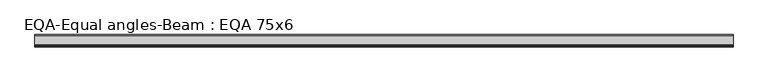
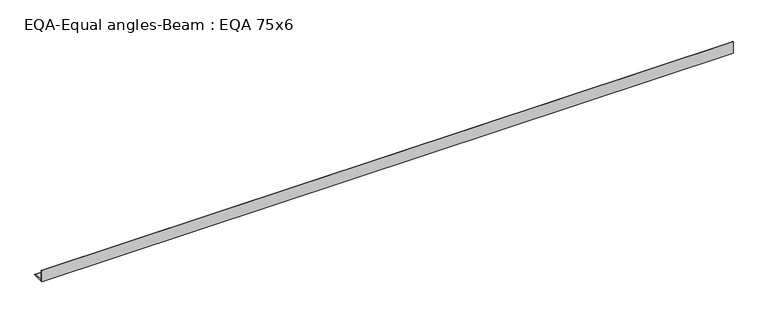
"""IFC4 building model written with IfcOpenShell, lengths in millimetres: beam geometry, EQA-Equal angles-Beam : EQA 75x6."""

from ifc_helpers import new_model, si_unit, point, frame, frame_2d, origin, place, context, project, spatial, polyline, circle_curve, trimmed, segment, composite_curve, outline, extrude, source, transform, mapped, element, save


def eqa_equal_angles_beam_eqa_75x6_300b0169(model_context):
    return source(origin(), model_context, "Body", "SweptSolid", [
        extrude(outline(composite_curve([segment(polyline([(-20.5, -20.5), (-20.5, 54.5), (-19.0, 54.5)]), True, "CONTINUOUS"), segment(trimmed(circle_curve(frame_2d((-19.0, 50.0)), 4.5), [point((-19.0, 54.5))], [point((-14.5, 50.0))], False, "CARTESIAN"), True, "CONTINUOUS"), segment(polyline([(-14.5, 50.0), (-14.5, -5.5)]), True, "CONTINUOUS"), segment(trimmed(circle_curve(frame_2d((-5.5, -5.5)), 9.0), [point((-14.5, -5.5))], [point((-5.5, -14.5))], True, "CARTESIAN"), True, "CONTINUOUS"), segment(polyline([(-5.5, -14.5), (50.0, -14.5)]), True, "CONTINUOUS"), segment(trimmed(circle_curve(frame_2d((50.0, -19.0)), 4.5), [point((50.0, -14.5))], [point((54.5, -19.0))], False, "CARTESIAN"), True, "CONTINUOUS"), segment(polyline([(54.5, -19.0), (54.5, -20.5), (-20.5, -20.5)]), True, "CONTINUOUS")], self_intersect=False)), frame((-2051.9242379, 0.0, 0.0), z_axis=(1.0, 0.0, 0.0), x_axis=(0.0, 1.0, 0.0)), (0.0, 0.0, 1.0), 4258.5775555),
    ])


if __name__ == "__main__":
    model = new_model("IFC4")
    model_context = context("Model", 3, world=origin())
    ifc_project = project(units=[si_unit("LENGTHUNIT", "METRE", prefix="MILLI")], contexts=[model_context])
    site = spatial("IfcSite", under=ifc_project)
    building = spatial("IfcBuilding", under=site)
    placement = place(None, origin())
    eqa_equal_angles_beam_eqa_75x6_shape = eqa_equal_angles_beam_eqa_75x6_300b0169(model_context)
    element("IfcBeam", 1, ObjectType="EQA-Equal angles-Beam : EQA 75x6", at=placement, inside=building, context=model_context, shape_type="MappedRepresentation", body=[
        mapped(eqa_equal_angles_beam_eqa_75x6_shape, transform((0.0, 0.0, 0.0), x_axis=(1.0, 0.0, 0.0), y_axis=(0.0, 1.0, 0.0), z_axis=(0.0, 0.0, 1.0))),
    ])
    save(model, "model.ifc")
